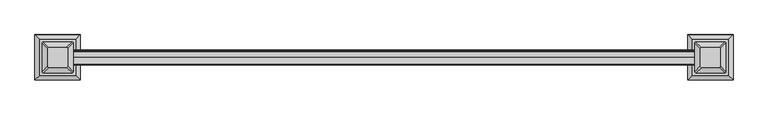
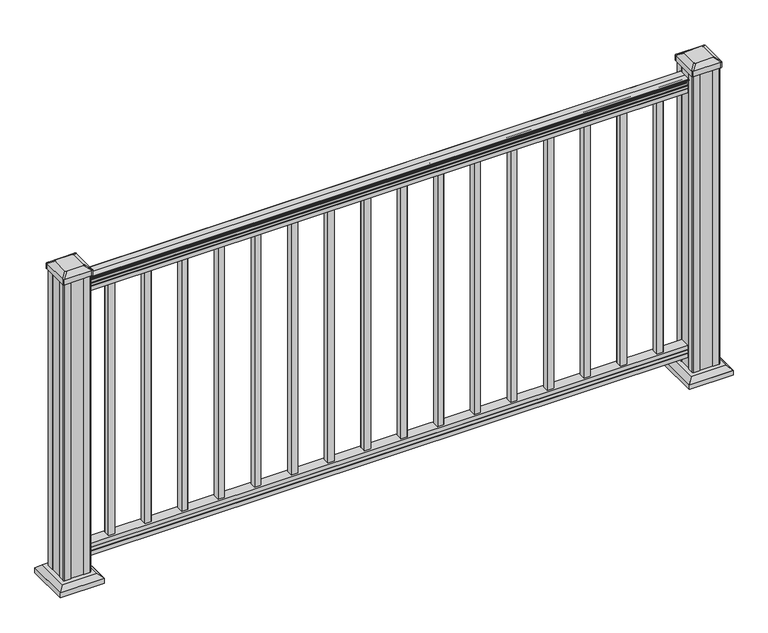
"""IFC4 building model written with IfcOpenShell, lengths in millimetres: railing geometry."""

from ifc_helpers import new_model, si_unit, point, frame, frame_2d, origin, origin_with_axes, place, context, project, spatial, polyline, circle_curve, trimmed, segment, composite_curve, outline, extrude, faceted_brep, source, transform, mapped, element, save
from ifc_brep_helpers import plane_surface, cylinder_surface, revolved_surface, extruded_surface, advanced_brep


def railing_bdc387ba(model_context):
    return source(origin(), model_context, "Body", "SolidModel", [
        advanced_brep(
        [(15483.960144, -6378.5092591, 938.4043297), (15483.960144, -6381.0830879, 938.4043297), (15483.960144, -6381.0830879, 927.747013), (15483.960144, -6380.0670879, 926.731013), (15483.960144, -6380.0670879, 914.4), (15483.960144, -6411.8170879, 914.4), (15483.960144, -6411.8170879, 926.8888283), (15483.960144, -6410.8010879, 927.9048283), (15483.960144, -6410.8010879, 938.4043297), (15483.960144, -6413.3749166, 938.4043297), (15483.960144, -6413.3749166, 940.292412), (15483.960144, -6414.5051029, 941.8546695), (15483.960144, -6414.5051029, 949.0726458), (15483.960144, -6413.8558465, 951.5060812), (15483.960144, -6416.3558465, 955.8362083), (15483.960144, -6417.7651889, 957.5157972), (15483.960144, -6418.1670879, 958.6205318), (15483.960144, -6418.1670879, 959.9608158), (15483.960144, -6416.6136406, 961.514263), (15483.960144, -6395.9420879, 961.514263), (15483.960144, -6375.2705351, 961.514263), (15483.960144, -6373.7170879, 959.9608158), (15483.960144, -6373.7170879, 958.6205318), (15483.960144, -6374.1189868, 957.5157972), (15483.960144, -6375.5283292, 955.8362083), (15483.960144, -6378.0283292, 951.5060812), (15483.960144, -6377.3790728, 949.0726458), (15483.960144, -6377.3790728, 941.8546695), (15483.960144, -6378.5092591, 940.292412), (17312.760144, -6378.5092591, 938.4043297), (17312.760144, -6378.5092591, 940.292412), (17312.760144, -6377.3790728, 941.8546695), (17312.760144, -6377.3790728, 949.0726458), (17312.760144, -6378.0283292, 951.5060812), (17312.760144, -6375.5283292, 955.8362083), (17312.760144, -6374.1189868, 957.5157972), (17312.760144, -6373.7170878, 958.6205318), (17312.760144, -6373.7170879, 959.9608158), (17312.760144, -6375.2705351, 961.514263), (17312.760144, -6395.9420879, 961.514263), (17312.760144, -6416.6136406, 961.514263), (17312.760144, -6418.1670879, 959.9608158), (17312.760144, -6418.1670879, 958.6205318), (17312.760144, -6417.7651889, 957.5157972), (17312.760144, -6416.3558465, 955.8362083), (17312.760144, -6413.8558465, 951.5060812), (17312.760144, -6414.5051029, 949.0726458), (17312.760144, -6414.5051029, 941.8546695), (17312.760144, -6413.3749166, 940.292412), (17312.760144, -6413.3749166, 938.4043297), (17312.760144, -6410.8010879, 938.4043297), (17312.760144, -6410.8010879, 927.9048283), (17312.760144, -6411.8170879, 926.8888283), (17312.760144, -6411.8170879, 914.4), (17312.760144, -6380.0670879, 914.4), (17312.760144, -6380.0670879, 926.731013), (17312.760144, -6381.0830879, 927.747013), (17312.760144, -6381.0830879, 938.4043297)],
        [
            (0, 1, circle_curve(frame((15483.960144, -6379.7961735, 938.4043297), z_axis=(-1.0, 0.0, 0.0), x_axis=(0.0, -1.0, 0.0)), 1.2869144)),
            (1, 2),
            (2, 3),
            (3, 4),
            (4, 5),
            (5, 6),
            (6, 7),
            (7, 8),
            (8, 9, circle_curve(frame((15483.960144, -6412.0880022, 938.4043297), z_axis=(-1.0, 0.0, 0.0), x_axis=(0.0, 1.0, 0.0)), 1.2869144)),
            (9, 10),
            (10, 11, circle_curve(frame((15483.960144, -6407.0601633, 946.0506383), z_axis=(-1.0, 0.0, 0.0), x_axis=(0.0, 1.0, 0.0)), 8.545951)),
            (11, 12, circle_curve(frame((15483.960144, -6407.4972263, 945.4636577), z_axis=(-1.0, 0.0, 0.0), x_axis=(0.0, 1.0, 0.0)), 7.882584)),
            (12, 13, circle_curve(frame((15483.960144, -6418.0105504, 951.3112527), z_axis=(1.0, 0.0, 0.0), x_axis=(0.0, 1.0, 0.0)), 4.1592695)),
            (13, 14, circle_curve(frame((15483.960144, -6419.297857, 951.2508864), z_axis=(1.0, 0.0, 0.0), x_axis=(0.0, 1.0, 0.0)), 5.4479907)),
            (14, 15, circle_curve(frame((15483.960144, -6418.0646985, 955.833395), z_axis=(1.0, 0.0, 0.0), x_axis=(0.0, 1.0, 0.0)), 1.7088543)),
            (15, 16, circle_curve(frame((15483.960144, -6416.4477984, 958.6205318), z_axis=(-1.0, 0.0, 0.0), x_axis=(0.0, 1.0, 0.0)), 1.7192895)),
            (16, 17),
            (17, 18, circle_curve(frame((15483.960144, -6416.6136406, 959.9608158), z_axis=(-1.0, 0.0, 0.0), x_axis=(0.0, 1.0, 0.0)), 1.5534472)),
            (18, 19),
            (19, 20),
            (20, 21, circle_curve(frame((15483.960144, -6375.2705351, 959.9608158), z_axis=(-1.0, 0.0, 0.0), x_axis=(0.0, -1.0, 0.0)), 1.5534472)),
            (21, 22),
            (22, 23, circle_curve(frame((15483.960144, -6375.4363773, 958.6205318), z_axis=(-1.0, 0.0, 0.0), x_axis=(0.0, -1.0, 0.0)), 1.7192895)),
            (23, 24, circle_curve(frame((15483.960144, -6373.8194772, 955.833395), z_axis=(1.0, 0.0, 0.0), x_axis=(0.0, -1.0, 0.0)), 1.7088543)),
            (24, 25, circle_curve(frame((15483.960144, -6372.5863188, 951.2508864), z_axis=(1.0, 0.0, 0.0), x_axis=(0.0, -1.0, 0.0)), 5.4479907)),
            (25, 26, circle_curve(frame((15483.960144, -6373.8736253, 951.3112527), z_axis=(1.0, 0.0, 0.0), x_axis=(0.0, -1.0, 0.0)), 4.1592695)),
            (26, 27, circle_curve(frame((15483.960144, -6384.3869494, 945.4636577), z_axis=(-1.0, 0.0, 0.0), x_axis=(0.0, -1.0, 0.0)), 7.882584)),
            (27, 28, circle_curve(frame((15483.960144, -6384.8240124, 946.0506383), z_axis=(-1.0, 0.0, 0.0), x_axis=(0.0, -1.0, 0.0)), 8.545951)),
            (28, 0),
            (29, 30),
            (30, 31, circle_curve(frame((17312.760144, -6384.8240124, 946.0506383), z_axis=(1.0, 0.0, 0.0), x_axis=(0.0, -1.0, 0.0)), 8.545951)),
            (31, 32, circle_curve(frame((17312.760144, -6384.3869494, 945.4636577), z_axis=(1.0, 0.0, 0.0), x_axis=(0.0, -1.0, 0.0)), 7.882584)),
            (32, 33, circle_curve(frame((17312.760144, -6373.8736253, 951.3112527), z_axis=(-1.0, 0.0, 0.0), x_axis=(0.0, -1.0, 0.0)), 4.1592695)),
            (33, 34, circle_curve(frame((17312.760144, -6372.5863188, 951.2508864), z_axis=(-1.0, 0.0, 0.0), x_axis=(0.0, -1.0, 0.0)), 5.4479907)),
            (34, 35, circle_curve(frame((17312.760144, -6373.8194772, 955.833395), z_axis=(-1.0, 0.0, 0.0), x_axis=(0.0, -1.0, 0.0)), 1.7088543)),
            (35, 36, circle_curve(frame((17312.760144, -6375.4363773, 958.6205318), z_axis=(1.0, 0.0, 0.0), x_axis=(0.0, -1.0, 0.0)), 1.7192895)),
            (36, 37),
            (37, 38, circle_curve(frame((17312.760144, -6375.2705351, 959.9608158), z_axis=(1.0, 0.0, 0.0), x_axis=(0.0, -1.0, 0.0)), 1.5534472)),
            (38, 39),
            (39, 40),
            (40, 41, circle_curve(frame((17312.760144, -6416.6136406, 959.9608158), z_axis=(1.0, 0.0, 0.0), x_axis=(0.0, 1.0, 0.0)), 1.5534472)),
            (41, 42),
            (42, 43, circle_curve(frame((17312.760144, -6416.4477984, 958.6205318), z_axis=(1.0, 0.0, 0.0), x_axis=(0.0, 1.0, 0.0)), 1.7192895)),
            (43, 44, circle_curve(frame((17312.760144, -6418.0646985, 955.833395), z_axis=(-1.0, 0.0, 0.0), x_axis=(0.0, 1.0, 0.0)), 1.7088543)),
            (44, 45, circle_curve(frame((17312.760144, -6419.297857, 951.2508864), z_axis=(-1.0, 0.0, 0.0), x_axis=(0.0, 1.0, 0.0)), 5.4479907)),
            (45, 46, circle_curve(frame((17312.760144, -6418.0105504, 951.3112527), z_axis=(-1.0, 0.0, 0.0), x_axis=(0.0, 1.0, 0.0)), 4.1592695)),
            (46, 47, circle_curve(frame((17312.760144, -6407.4972263, 945.4636577), z_axis=(1.0, 0.0, 0.0), x_axis=(0.0, 1.0, 0.0)), 7.882584)),
            (47, 48, circle_curve(frame((17312.760144, -6407.0601633, 946.0506383), z_axis=(1.0, 0.0, 0.0), x_axis=(0.0, 1.0, 0.0)), 8.545951)),
            (48, 49),
            (49, 50, circle_curve(frame((17312.760144, -6412.0880022, 938.4043297), z_axis=(1.0, 0.0, 0.0), x_axis=(0.0, 1.0, 0.0)), 1.2869144)),
            (50, 51),
            (51, 52),
            (52, 53),
            (53, 54),
            (54, 55),
            (55, 56),
            (56, 57),
            (57, 29, circle_curve(frame((17312.760144, -6379.7961735, 938.4043297), z_axis=(1.0, 0.0, 0.0), x_axis=(0.0, -1.0, 0.0)), 1.2869144)),
            (0, 29),
            (57, 1),
            (56, 2),
            (55, 3),
            (54, 4),
            (53, 5),
            (52, 6),
            (51, 7),
            (50, 8),
            (49, 9),
            (48, 10),
            (47, 11),
            (46, 12),
            (45, 13),
            (44, 14),
            (43, 15),
            (42, 16),
            (41, 17),
            (40, 18),
            (39, 19),
            (38, 20),
            (37, 21),
            (36, 22),
            (35, 23),
            (34, 24),
            (33, 25),
            (32, 26),
            (31, 27),
            (30, 28),
        ],
        [
            plane_surface(frame((15483.960144, -6395.9420879, 914.4), z_axis=(-1.0, 0.0, 0.0), x_axis=(0.0, 1.0, 0.0))),
            plane_surface(frame((17312.760144, -6395.9420879, 914.4), z_axis=(1.0, 0.0, 0.0), x_axis=(0.0, 1.0, 0.0))),
            cylinder_surface(frame((15483.960144, -6379.7961735, 938.4043297), z_axis=(-1.0, 0.0, 0.0), x_axis=(0.0, -1.0, 0.0)), 1.2869144),
            plane_surface(frame((15483.960144, -6381.0830879, 938.4043297), z_axis=(0.0, 1.0, 0.0), x_axis=(1.0, 0.0, 0.0))),
            plane_surface(frame((15483.960144, -6381.0830879, 927.747013), z_axis=(0.0, 0.7071067811865395, 0.7071067811865556), x_axis=(1.0, 0.0, 0.0))),
            plane_surface(frame((15483.960144, -6380.0670879, 926.731013), z_axis=(0.0, 1.0, 0.0), x_axis=(1.0, 0.0, 0.0))),
            plane_surface(frame((15483.960144, -6380.0670879, 914.4), z_axis=(0.0, 0.0, -1.0), x_axis=(1.0, 0.0, 0.0))),
            plane_surface(frame((15483.960144, -6411.8170879, 914.4), z_axis=(0.0, -1.0, 0.0), x_axis=(1.0, 0.0, 0.0))),
            plane_surface(frame((15483.960144, -6411.8170879, 926.8888283), z_axis=(0.0, -0.7071067811865432, 0.707106781186552), x_axis=(1.0, 0.0, 0.0))),
            plane_surface(frame((15483.960144, -6410.8010879, 927.9048283), z_axis=(0.0, -1.0, 0.0), x_axis=(1.0, 0.0, 0.0))),
            cylinder_surface(frame((15483.960144, -6412.0880022, 938.4043297), z_axis=(-1.0, 0.0, 0.0), x_axis=(0.0, 1.0, 0.0)), 1.2869144),
            plane_surface(frame((15483.960144, -6413.3749166, 938.4043297), z_axis=(0.0, -1.0, 0.0), x_axis=(1.0, 0.0, 0.0))),
            cylinder_surface(frame((15483.960144, -6407.0601633, 946.0506383), z_axis=(-1.0, 0.0, 0.0), x_axis=(0.0, 1.0, 0.0)), 8.545951),
            cylinder_surface(frame((15483.960144, -6407.4972263, 945.4636577), z_axis=(-1.0, 0.0, 0.0), x_axis=(0.0, 1.0, 0.0)), 7.882584),
            revolved_surface(polyline([(17312.760144, -6413.8512809, 951.3112527), (15483.960144, -6413.8512809, 951.3112527)]), (15483.960144, -6418.0105504, 951.3112527), (1.0, 0.0, 0.0)),
            revolved_surface(polyline([(17312.760144, -6413.849866299999, 951.2508864), (15483.960144, -6413.849866299999, 951.2508864)]), (15483.960144, -6419.297857, 951.2508864), (1.0, 0.0, 0.0)),
            revolved_surface(polyline([(17312.760144, -6416.3558442, 955.833395), (15483.960144, -6416.3558442, 955.833395)]), (15483.960144, -6418.0646985, 955.833395), (1.0, 0.0, 0.0)),
            cylinder_surface(frame((15483.960144, -6416.4477984, 958.6205318), z_axis=(-1.0, 0.0, 0.0), x_axis=(0.0, 1.0, 0.0)), 1.7192895),
            plane_surface(frame((15483.960144, -6418.1670879, 958.6205318), z_axis=(0.0, -1.0, 0.0), x_axis=(1.0, 0.0, 0.0))),
            cylinder_surface(frame((15483.960144, -6416.6136406, 959.9608158), z_axis=(-1.0, 0.0, 0.0), x_axis=(0.0, 1.0, 0.0)), 1.5534472),
            plane_surface(frame((15483.960144, -6416.6136406, 961.514263), z_axis=(0.0, 0.0, 1.0), x_axis=(1.0, 0.0, 0.0))),
            plane_surface(frame((15483.960144, -6395.9420879, 961.514263), z_axis=(0.0, 0.0, 1.0), x_axis=(1.0, 0.0, 0.0))),
            cylinder_surface(frame((15483.960144, -6375.2705351, 959.9608158), z_axis=(-1.0, 0.0, 0.0), x_axis=(0.0, -1.0, 0.0)), 1.5534472),
            plane_surface(frame((15483.960144, -6373.7170879, 959.9608158), z_axis=(0.0, 1.0, 0.0), x_axis=(1.0, 0.0, 0.0))),
            cylinder_surface(frame((15483.960144, -6375.4363773, 958.6205318), z_axis=(-1.0, 0.0, 0.0), x_axis=(0.0, -1.0, 0.0)), 1.7192895),
            revolved_surface(polyline([(17312.760144, -6375.5283315, 955.833395), (15483.960144, -6375.5283315, 955.833395)]), (15483.960144, -6373.8194772, 955.833395), (1.0, 0.0, 0.0)),
            revolved_surface(polyline([(17312.760144, -6378.034309500001, 951.2508864), (15483.960144, -6378.034309500001, 951.2508864)]), (15483.960144, -6372.5863188, 951.2508864), (1.0, 0.0, 0.0)),
            revolved_surface(polyline([(17312.760144, -6378.0328948, 951.3112527), (15483.960144, -6378.0328948, 951.3112527)]), (15483.960144, -6373.8736253, 951.3112527), (1.0, 0.0, 0.0)),
            cylinder_surface(frame((15483.960144, -6384.3869494, 945.4636577), z_axis=(-1.0, 0.0, 0.0), x_axis=(0.0, -1.0, 0.0)), 7.882584),
            cylinder_surface(frame((15483.960144, -6384.8240124, 946.0506383), z_axis=(-1.0, 0.0, 0.0), x_axis=(0.0, -1.0, 0.0)), 8.545951),
            plane_surface(frame((15483.960144, -6378.5092591, 940.292412), z_axis=(0.0, 1.0, 0.0), x_axis=(1.0, 0.0, 0.0))),
        ],
        [
            (0, [[1, 2, 3, 4, 5, 6, 7, 8, 9, 10, 11, 12, 13, 14, 15, 16, 17, 18, 19, 20, 21, 22, 23, 24, 25, 26, 27, 28, 29]]),
            (1, [[30, 31, 32, 33, 34, 35, 36, 37, 38, 39, 40, 41, 42, 43, 44, 45, 46, 47, 48, 49, 50, 51, 52, 53, 54, 55, 56, 57, 58]]),
            (2, [[-1, 59, -58, 60]]),
            (3, [[-2, -60, -57, 61]]),
            (4, [[-3, -61, -56, 62]]),
            (5, [[-4, -62, -55, 63]]),
            (6, [[-5, -63, -54, 64]]),
            (7, [[-6, -64, -53, 65]]),
            (8, [[-7, -65, -52, 66]]),
            (9, [[-8, -66, -51, 67]]),
            (10, [[-9, -67, -50, 68]]),
            (11, [[-10, -68, -49, 69]]),
            (12, [[-11, -69, -48, 70]]),
            (13, [[-12, -70, -47, 71]]),
            (14, [[-13, -71, -46, 72]]),
            (15, [[-14, -72, -45, 73]]),
            (16, [[-15, -73, -44, 74]]),
            (17, [[-16, -74, -43, 75]]),
            (18, [[-17, -75, -42, 76]]),
            (19, [[-18, -76, -41, 77]]),
            (20, [[-19, -77, -40, 78]]),
            (21, [[-20, -78, -39, 79]]),
            (22, [[-21, -79, -38, 80]]),
            (23, [[-22, -80, -37, 81]]),
            (24, [[-23, -81, -36, 82]]),
            (25, [[-24, -82, -35, 83]]),
            (26, [[-25, -83, -34, 84]]),
            (27, [[-26, -84, -33, 85]]),
            (28, [[-27, -85, -32, 86]]),
            (29, [[-28, -86, -31, 87]]),
            (30, [[-29, -87, -30, -59]]),
        ],
    ),
        faceted_brep([(15483.960144, -6380.029601, 76.0541976), (15483.960144, -6380.029601, 63.5), (15483.960144, -6411.779601, 63.5), (15483.960144, -6411.779601, 76.0375508), (15483.960144, -6410.763601, 77.3858283), (15483.960144, -6410.763601, 87.6975248), (15483.960144, -6411.779601, 89.0458024), (15483.960144, -6411.779601, 101.5958781), (15483.960144, -6380.029601, 101.5958781), (15483.960144, -6380.029601, 89.0624492), (15483.960144, -6381.045601, 87.7141717), (15483.960144, -6381.045601, 77.3546183), (17312.760144, -6380.029601, 76.0541976), (17312.760144, -6381.045601, 77.3546183), (17312.760144, -6381.045601, 87.7141717), (17312.760144, -6380.029601, 89.0624492), (17312.760144, -6380.029601, 101.5958781), (17312.760144, -6411.779601, 101.5958781), (17312.760144, -6411.779601, 89.0458024), (17312.760144, -6410.763601, 87.6975248), (17312.760144, -6410.763601, 77.3858283), (17312.760144, -6411.779601, 76.0375508), (17312.760144, -6411.779601, 63.5), (17312.760144, -6380.029601, 63.5)], [[[0, 1, 2, 3, 4, 5, 6, 7, 8, 9, 10, 11]], [[12, 13, 14, 15, 16, 17, 18, 19, 20, 21, 22, 23]], [[1, 0, 12, 23]], [[2, 1, 23, 22]], [[3, 2, 22, 21]], [[4, 3, 21, 20]], [[5, 4, 20, 19]], [[6, 5, 19, 18]], [[7, 6, 18, 17]], [[8, 7, 17, 16]], [[9, 8, 16, 15]], [[10, 9, 15, 14]], [[11, 10, 14, 13]], [[0, 11, 13, 12]]]),
        extrude(outline(polyline([(17222.272644, -6386.4170879), (17241.322644, -6386.4170879), (17241.322644, -6405.4670879), (17222.272644, -6405.4670879), (17222.272644, -6386.4170879)]), holes=[polyline([(17222.669519, -6386.8139629), (17222.669519, -6405.0702129), (17240.925769, -6405.0702129), (17240.925769, -6386.8139629), (17222.669519, -6386.8139629)])]), frame((0.0, 0.0, 101.5958781), z_axis=(0.0, 0.0, 1.0), x_axis=(1.0, 0.0, 0.0)), (0.0, 0.0, 1.0), 812.8041219),
        extrude(outline(polyline([(17111.147644, -6386.4170879), (17130.197644, -6386.4170879), (17130.197644, -6405.4670879), (17111.147644, -6405.4670879), (17111.147644, -6386.4170879)]), holes=[polyline([(17111.544519, -6386.8139629), (17111.544519, -6405.0702129), (17129.800769, -6405.0702129), (17129.800769, -6386.8139629), (17111.544519, -6386.8139629)])]), frame((0.0, 0.0, 101.5958781), z_axis=(0.0, 0.0, 1.0), x_axis=(1.0, 0.0, 0.0)), (0.0, 0.0, 1.0), 812.8041219),
        extrude(outline(polyline([(17000.022644, -6386.4170879), (17019.072644, -6386.4170879), (17019.072644, -6405.4670879), (17000.022644, -6405.4670879), (17000.022644, -6386.4170879)]), holes=[polyline([(17000.419519, -6386.8139629), (17000.419519, -6405.0702129), (17018.675769, -6405.0702129), (17018.675769, -6386.8139629), (17000.419519, -6386.8139629)])]), frame((0.0, 0.0, 101.5958781), z_axis=(0.0, 0.0, 1.0), x_axis=(1.0, 0.0, 0.0)), (0.0, 0.0, 1.0), 812.8041219),
        extrude(outline(polyline([(16888.897644, -6386.4170879), (16907.947644, -6386.4170879), (16907.947644, -6405.4670879), (16888.897644, -6405.4670879), (16888.897644, -6386.4170879)]), holes=[polyline([(16889.294519, -6386.8139629), (16889.294519, -6405.0702129), (16907.550769, -6405.0702129), (16907.550769, -6386.8139629), (16889.294519, -6386.8139629)])]), frame((0.0, 0.0, 101.5958781), z_axis=(0.0, 0.0, 1.0), x_axis=(1.0, 0.0, 0.0)), (0.0, 0.0, 1.0), 812.8041219),
        extrude(outline(polyline([(16777.772644, -6386.4170879), (16796.822644, -6386.4170879), (16796.822644, -6405.4670879), (16777.772644, -6405.4670879), (16777.772644, -6386.4170879)]), holes=[polyline([(16778.169519, -6386.8139629), (16778.169519, -6405.0702129), (16796.425769, -6405.0702129), (16796.425769, -6386.8139629), (16778.169519, -6386.8139629)])]), frame((0.0, 0.0, 101.5958781), z_axis=(0.0, 0.0, 1.0), x_axis=(1.0, 0.0, 0.0)), (0.0, 0.0, 1.0), 812.8041219),
        extrude(outline(polyline([(16666.647644, -6386.4170879), (16685.697644, -6386.4170879), (16685.697644, -6405.4670879), (16666.647644, -6405.4670879), (16666.647644, -6386.4170879)]), holes=[polyline([(16667.044519, -6386.8139629), (16667.044519, -6405.0702129), (16685.300769, -6405.0702129), (16685.300769, -6386.8139629), (16667.044519, -6386.8139629)])]), frame((0.0, 0.0, 101.5958781), z_axis=(0.0, 0.0, 1.0), x_axis=(1.0, 0.0, 0.0)), (0.0, 0.0, 1.0), 812.8041219),
        extrude(outline(polyline([(16555.522644, -6386.4170879), (16574.572644, -6386.4170879), (16574.572644, -6405.4670879), (16555.522644, -6405.4670879), (16555.522644, -6386.4170879)]), holes=[polyline([(16555.919519, -6386.8139629), (16555.919519, -6405.0702129), (16574.175769, -6405.0702129), (16574.175769, -6386.8139629), (16555.919519, -6386.8139629)])]), frame((0.0, 0.0, 101.5958781), z_axis=(0.0, 0.0, 1.0), x_axis=(1.0, 0.0, 0.0)), (0.0, 0.0, 1.0), 812.8041219),
        extrude(outline(polyline([(16444.397644, -6386.4170879), (16463.447644, -6386.4170879), (16463.447644, -6405.4670879), (16444.397644, -6405.4670879), (16444.397644, -6386.4170879)]), holes=[polyline([(16444.794519, -6386.8139629), (16444.794519, -6405.0702129), (16463.050769, -6405.0702129), (16463.050769, -6386.8139629), (16444.794519, -6386.8139629)])]), frame((0.0, 0.0, 101.5958781), z_axis=(0.0, 0.0, 1.0), x_axis=(1.0, 0.0, 0.0)), (0.0, 0.0, 1.0), 812.8041219),
        extrude(outline(polyline([(16333.272644, -6386.4170879), (16352.322644, -6386.4170879), (16352.322644, -6405.4670879), (16333.272644, -6405.4670879), (16333.272644, -6386.4170879)]), holes=[polyline([(16333.669519, -6386.8139629), (16333.669519, -6405.0702129), (16351.925769, -6405.0702129), (16351.925769, -6386.8139629), (16333.669519, -6386.8139629)])]), frame((0.0, 0.0, 101.5958781), z_axis=(0.0, 0.0, 1.0), x_axis=(1.0, 0.0, 0.0)), (0.0, 0.0, 1.0), 812.8041219),
        extrude(outline(polyline([(16222.147644, -6386.4170879), (16241.197644, -6386.4170879), (16241.197644, -6405.4670879), (16222.147644, -6405.4670879), (16222.147644, -6386.4170879)]), holes=[polyline([(16222.544519, -6386.8139629), (16222.544519, -6405.0702129), (16240.800769, -6405.0702129), (16240.800769, -6386.8139629), (16222.544519, -6386.8139629)])]), frame((0.0, 0.0, 101.5958781), z_axis=(0.0, 0.0, 1.0), x_axis=(1.0, 0.0, 0.0)), (0.0, 0.0, 1.0), 812.8041219),
        extrude(outline(polyline([(16111.022644, -6386.4170879), (16130.072644, -6386.4170879), (16130.072644, -6405.4670879), (16111.022644, -6405.4670879), (16111.022644, -6386.4170879)]), holes=[polyline([(16111.419519, -6386.8139629), (16111.419519, -6405.0702129), (16129.675769, -6405.0702129), (16129.675769, -6386.8139629), (16111.419519, -6386.8139629)])]), frame((0.0, 0.0, 101.5958781), z_axis=(0.0, 0.0, 1.0), x_axis=(1.0, 0.0, 0.0)), (0.0, 0.0, 1.0), 812.8041219),
        extrude(outline(polyline([(15999.897644, -6386.4170879), (16018.947644, -6386.4170879), (16018.947644, -6405.4670879), (15999.897644, -6405.4670879), (15999.897644, -6386.4170879)]), holes=[polyline([(16000.294519, -6386.8139629), (16000.294519, -6405.0702129), (16018.550769, -6405.0702129), (16018.550769, -6386.8139629), (16000.294519, -6386.8139629)])]), frame((0.0, 0.0, 101.5958781), z_axis=(0.0, 0.0, 1.0), x_axis=(1.0, 0.0, 0.0)), (0.0, 0.0, 1.0), 812.8041219),
        extrude(outline(polyline([(15888.772644, -6386.4170879), (15907.822644, -6386.4170879), (15907.822644, -6405.4670879), (15888.772644, -6405.4670879), (15888.772644, -6386.4170879)]), holes=[polyline([(15889.169519, -6386.8139629), (15889.169519, -6405.0702129), (15907.425769, -6405.0702129), (15907.425769, -6386.8139629), (15889.169519, -6386.8139629)])]), frame((0.0, 0.0, 101.5958781), z_axis=(0.0, 0.0, 1.0), x_axis=(1.0, 0.0, 0.0)), (0.0, 0.0, 1.0), 812.8041219),
        extrude(outline(polyline([(15777.647644, -6386.4170879), (15796.697644, -6386.4170879), (15796.697644, -6405.4670879), (15777.647644, -6405.4670879), (15777.647644, -6386.4170879)]), holes=[polyline([(15778.044519, -6386.8139629), (15778.044519, -6405.0702129), (15796.300769, -6405.0702129), (15796.300769, -6386.8139629), (15778.044519, -6386.8139629)])]), frame((0.0, 0.0, 101.5958781), z_axis=(0.0, 0.0, 1.0), x_axis=(1.0, 0.0, 0.0)), (0.0, 0.0, 1.0), 812.8041219),
        extrude(outline(polyline([(15666.522644, -6386.4170879), (15685.572644, -6386.4170879), (15685.572644, -6405.4670879), (15666.522644, -6405.4670879), (15666.522644, -6386.4170879)]), holes=[polyline([(15666.919519, -6386.8139629), (15666.919519, -6405.0702129), (15685.175769, -6405.0702129), (15685.175769, -6386.8139629), (15666.919519, -6386.8139629)])]), frame((0.0, 0.0, 101.5958781), z_axis=(0.0, 0.0, 1.0), x_axis=(1.0, 0.0, 0.0)), (0.0, 0.0, 1.0), 812.8041219),
        extrude(outline(polyline([(15555.397644, -6386.4170879), (15574.447644, -6386.4170879), (15574.447644, -6405.4670879), (15555.397644, -6405.4670879), (15555.397644, -6386.4170879)]), holes=[polyline([(15555.794519, -6386.8139629), (15555.794519, -6405.0702129), (15574.050769, -6405.0702129), (15574.050769, -6386.8139629), (15555.794519, -6386.8139629)])]), frame((0.0, 0.0, 101.5958781), z_axis=(0.0, 0.0, 1.0), x_axis=(1.0, 0.0, 0.0)), (0.0, 0.0, 1.0), 812.8041219),
        faceted_brep([(17301.4492065, -6343.3561504, 28.575), (17301.4492065, -6448.5280254, 28.575), (17406.6210815, -6448.5280254, 28.575), (17406.6210815, -6343.3561504, 28.575), (17287.4097534, -6329.3166972, 15.24), (17420.6605346, -6329.3166972, 15.24), (17420.6605346, -6462.5674785, 15.24), (17287.4097534, -6462.5674785, 15.24)], [[[0, 1, 2, 3]], [[4, 5, 6, 7]], [[4, 7, 1, 0]], [[7, 6, 2, 1]], [[6, 5, 3, 2]], [[5, 4, 0, 3]]]),
        extrude(outline(polyline([(17287.4097534, -6329.3166972), (17420.6605346, -6329.3166972), (17420.6605346, -6462.5674785), (17287.4097534, -6462.5674785), (17287.4097534, -6329.3166972)])), origin_with_axes(), (0.0, 0.0, 1.0), 15.24),
        advanced_brep(
        [(17325.063269, -6421.7389629, 1012.825), (17328.238269, -6424.9139629, 1012.825), (17379.832019, -6424.9139629, 1012.825), (17383.007019, -6421.7389629, 1012.825), (17383.007019, -6370.1452129, 1012.825), (17379.832019, -6366.9702129, 1012.825), (17328.238269, -6366.9702129, 1012.825), (17325.063269, -6370.1452129, 1012.825), (17308.791394, -6438.0108379, 1001.522), (17308.791394, -6353.8733379, 1001.522), (17311.966394, -6350.6983379, 1001.522), (17396.103894, -6350.6983379, 1001.522), (17399.278894, -6353.8733379, 1001.522), (17399.278894, -6438.0108379, 1001.522), (17396.103894, -6441.1858379, 1001.522), (17311.966394, -6441.1858379, 1001.522)],
        [
            (0, 1, circle_curve(frame((17328.238269, -6421.7389629, 1012.825), z_axis=(0.0, 0.0, 1.0), x_axis=(1.0, 0.0, 0.0)), 3.175)),
            (1, 2),
            (2, 3, circle_curve(frame((17379.832019, -6421.7389629, 1012.825), z_axis=(0.0, 0.0, 1.0), x_axis=(1.0, 0.0, 0.0)), 3.175)),
            (3, 4),
            (4, 5, circle_curve(frame((17379.832019, -6370.1452129, 1012.825), z_axis=(0.0, 0.0, 1.0), x_axis=(1.0, 0.0, 0.0)), 3.175)),
            (5, 6),
            (6, 7, circle_curve(frame((17328.238269, -6370.1452129, 1012.825), z_axis=(0.0, 0.0, 1.0), x_axis=(1.0, 0.0, 0.0)), 3.175)),
            (7, 0),
            (8, 9),
            (9, 10, circle_curve(frame((17311.966394, -6353.8733379, 1001.522), z_axis=(0.0, 0.0, -1.0), x_axis=(1.0, 0.0, 0.0)), 3.175)),
            (10, 11),
            (11, 12, circle_curve(frame((17396.103894, -6353.8733379, 1001.522), z_axis=(0.0, 0.0, -1.0), x_axis=(1.0, 0.0, 0.0)), 3.175)),
            (12, 13),
            (13, 14, circle_curve(frame((17396.103894, -6438.0108379, 1001.522), z_axis=(0.0, 0.0, -1.0), x_axis=(1.0, 0.0, 0.0)), 3.175)),
            (14, 15),
            (15, 8, circle_curve(frame((17311.966394, -6438.0108379, 1001.522), z_axis=(0.0, 0.0, -1.0), x_axis=(1.0, 0.0, 0.0)), 3.175)),
            (15, 1),
            (0, 8),
            (14, 2),
            (13, 3),
            (12, 4),
            (11, 5),
            (10, 6),
            (9, 7),
        ],
        [
            plane_surface(frame((17354.035144, -6395.9420879, 1012.825), z_axis=(0.0, 0.0, 1.0), x_axis=(0.0, -1.0, 0.0))),
            plane_surface(frame((17354.035144, -6395.9420879, 1001.522), z_axis=(0.0, 0.0, -1.0), x_axis=(0.0, -1.0, 0.0))),
            extruded_surface(trimmed(circle_curve(frame((17311.966394, -6438.0108379, 1001.522), z_axis=(0.0, 0.0, 1.0), x_axis=(1.0, 0.0, 0.0)), 3.175), [point((17308.791394, -6438.0108379, 1001.522))], [point((17311.966394, -6441.1858379, 1001.522))], True, "CARTESIAN"), (16.271875000002183, 16.271875000000364, 11.302999999999997), 25.63797263886778),
            plane_surface(frame((17354.035144, -6441.1858379, 1001.522), z_axis=(0.0, -0.5705009161540779, 0.8212969649690408), x_axis=(1.0, 0.0, 0.0))),
            extruded_surface(trimmed(circle_curve(frame((17396.103894, -6438.0108379, 1001.522), z_axis=(0.0, 0.0, 1.0), x_axis=(1.0, 0.0, 0.0)), 3.175), [point((17396.103894, -6441.1858379, 1001.522))], [point((17399.278894, -6438.0108379, 1001.522))], True, "CARTESIAN"), (-16.271874999998545, 16.271875000000364, 11.302999999999997), 25.637972638865467),
            plane_surface(frame((17399.278894, -6395.9420879, 1001.522), z_axis=(0.5705009161540291, 0.0, 0.8212969649690747), x_axis=(0.0, 1.0, 0.0))),
            extruded_surface(trimmed(circle_curve(frame((17396.103894, -6353.8733379, 1001.522), z_axis=(0.0, 0.0, 1.0), x_axis=(1.0, 0.0, 0.0)), 3.175), [point((17399.278894, -6353.8733379, 1001.522))], [point((17396.103894, -6350.6983379, 1001.522))], True, "CARTESIAN"), (-16.271874999998545, -16.271875000000364, 11.302999999999997), 25.637972638865467),
            plane_surface(frame((17354.035144, -6350.6983379, 1001.522), z_axis=(0.0, 0.5705009161540141, 0.8212969649690851), x_axis=(-1.0, 0.0, 0.0))),
            extruded_surface(trimmed(circle_curve(frame((17311.966394, -6353.8733379, 1001.522), z_axis=(0.0, 0.0, 1.0), x_axis=(1.0, 0.0, 0.0)), 3.175), [point((17311.966394, -6350.6983379, 1001.522))], [point((17308.791394, -6353.8733379, 1001.522))], True, "CARTESIAN"), (16.271875000002183, -16.271875000000364, 11.302999999999997), 25.63797263886778),
            plane_surface(frame((17308.791394, -6395.9420879, 1001.522), z_axis=(-0.570500916154034, 0.0, 0.8212969649690713), x_axis=(0.0, -1.0, 0.0))),
        ],
        [
            (0, [[1, 2, 3, 4, 5, 6, 7, 8]]),
            (1, [[9, 10, 11, 12, 13, 14, 15, 16]]),
            (2, [[-16, 17, -1, 18]]),
            (3, [[-15, 19, -2, -17]]),
            (4, [[-14, 20, -3, -19]]),
            (5, [[-13, 21, -4, -20]]),
            (6, [[-12, 22, -5, -21]]),
            (7, [[-11, 23, -6, -22]]),
            (8, [[-10, 24, -7, -23]]),
            (9, [[-9, -18, -8, -24]]),
        ],
    ),
        extrude(outline(composite_curve([segment(polyline([(17308.791394, -6438.0108379), (17308.791394, -6353.8733379)]), True, "CONTINUOUS"), segment(trimmed(circle_curve(frame_2d((17311.966394, -6353.8733379)), 3.175), [point((17308.791394, -6353.8733379))], [point((17311.966394, -6350.6983379))], False, "CARTESIAN"), True, "CONTINUOUS"), segment(polyline([(17311.966394, -6350.6983379), (17396.103894, -6350.6983379)]), True, "CONTINUOUS"), segment(trimmed(circle_curve(frame_2d((17396.103894, -6353.8733379)), 3.175), [point((17396.103894, -6350.6983379))], [point((17399.278894, -6353.8733379))], False, "CARTESIAN"), True, "CONTINUOUS"), segment(polyline([(17399.278894, -6353.8733379), (17399.278894, -6438.0108379)]), True, "CONTINUOUS"), segment(trimmed(circle_curve(frame_2d((17396.103894, -6438.0108379)), 3.175), [point((17399.278894, -6438.0108379))], [point((17396.103894, -6441.1858379))], False, "CARTESIAN"), True, "CONTINUOUS"), segment(polyline([(17396.103894, -6441.1858379), (17311.966394, -6441.1858379)]), True, "CONTINUOUS"), segment(trimmed(circle_curve(frame_2d((17311.966394, -6438.0108379)), 3.175), [point((17311.966394, -6441.1858379))], [point((17308.791394, -6438.0108379))], False, "CARTESIAN"), True, "CONTINUOUS")], self_intersect=False)), frame((0.0, 0.0, 984.25), z_axis=(0.0, 0.0, 1.0), x_axis=(1.0, 0.0, 0.0)), (0.0, 0.0, 1.0), 17.272),
        extrude(outline(polyline([(17312.760144, -6435.6295879), (17312.760144, -6416.0080879), (17314.347644, -6415.2460879), (17314.347644, -6376.6380879), (17312.760144, -6375.8760879), (17312.760144, -6356.2545879), (17314.347644, -6354.6670879), (17333.969144, -6354.6670879), (17334.731144, -6356.2545879), (17373.339144, -6356.2545879), (17374.101144, -6354.6670879), (17393.722644, -6354.6670879), (17395.310144, -6356.2545879), (17395.310144, -6375.8760879), (17393.722644, -6376.6380879), (17393.722644, -6415.2460879), (17395.310144, -6416.0080879), (17395.310144, -6435.6295879), (17393.722644, -6437.2170879), (17374.101144, -6437.2170879), (17373.339144, -6435.6295879), (17334.731144, -6435.6295879), (17333.969144, -6437.2170879), (17314.347644, -6437.2170879), (17312.760144, -6435.6295879)])), origin_with_axes(), (0.0, 0.0, 1.0), 984.25),
        faceted_brep([(15390.0992065, -6343.3561504, 28.575), (15390.0992065, -6448.5280254, 28.575), (15495.2710815, -6448.5280254, 28.575), (15495.2710815, -6343.3561504, 28.575), (15376.0597534, -6329.3166972, 15.24), (15509.3105346, -6329.3166972, 15.24), (15509.3105346, -6462.5674785, 15.24), (15376.0597534, -6462.5674785, 15.24)], [[[0, 1, 2, 3]], [[4, 5, 6, 7]], [[4, 7, 1, 0]], [[7, 6, 2, 1]], [[6, 5, 3, 2]], [[5, 4, 0, 3]]]),
        extrude(outline(polyline([(15376.0597534, -6329.3166972), (15509.3105346, -6329.3166972), (15509.3105346, -6462.5674785), (15376.0597534, -6462.5674785), (15376.0597534, -6329.3166972)])), origin_with_axes(), (0.0, 0.0, 1.0), 15.24),
        advanced_brep(
        [(15413.713269, -6421.7389629, 1012.825), (15416.888269, -6424.9139629, 1012.825), (15468.482019, -6424.9139629, 1012.825), (15471.657019, -6421.7389629, 1012.825), (15471.657019, -6370.1452129, 1012.825), (15468.482019, -6366.9702129, 1012.825), (15416.888269, -6366.9702129, 1012.825), (15413.713269, -6370.1452129, 1012.825), (15397.441394, -6438.0108379, 1001.522), (15397.441394, -6353.8733379, 1001.522), (15400.616394, -6350.6983379, 1001.522), (15484.753894, -6350.6983379, 1001.522), (15487.928894, -6353.8733379, 1001.522), (15487.928894, -6438.0108379, 1001.522), (15484.753894, -6441.1858379, 1001.522), (15400.616394, -6441.1858379, 1001.522)],
        [
            (0, 1, circle_curve(frame((15416.888269, -6421.7389629, 1012.825), z_axis=(0.0, 0.0, 1.0), x_axis=(1.0, 0.0, 0.0)), 3.175)),
            (1, 2),
            (2, 3, circle_curve(frame((15468.482019, -6421.7389629, 1012.825), z_axis=(0.0, 0.0, 1.0), x_axis=(1.0, 0.0, 0.0)), 3.175)),
            (3, 4),
            (4, 5, circle_curve(frame((15468.482019, -6370.1452129, 1012.825), z_axis=(0.0, 0.0, 1.0), x_axis=(1.0, 0.0, 0.0)), 3.175)),
            (5, 6),
            (6, 7, circle_curve(frame((15416.888269, -6370.1452129, 1012.825), z_axis=(0.0, 0.0, 1.0), x_axis=(1.0, 0.0, 0.0)), 3.175)),
            (7, 0),
            (8, 9),
            (9, 10, circle_curve(frame((15400.616394, -6353.8733379, 1001.522), z_axis=(0.0, 0.0, -1.0), x_axis=(1.0, 0.0, 0.0)), 3.175)),
            (10, 11),
            (11, 12, circle_curve(frame((15484.753894, -6353.8733379, 1001.522), z_axis=(0.0, 0.0, -1.0), x_axis=(1.0, 0.0, 0.0)), 3.175)),
            (12, 13),
            (13, 14, circle_curve(frame((15484.753894, -6438.0108379, 1001.522), z_axis=(0.0, 0.0, -1.0), x_axis=(1.0, 0.0, 0.0)), 3.175)),
            (14, 15),
            (15, 8, circle_curve(frame((15400.616394, -6438.0108379, 1001.522), z_axis=(0.0, 0.0, -1.0), x_axis=(1.0, 0.0, 0.0)), 3.175)),
            (15, 1),
            (0, 8),
            (14, 2),
            (13, 3),
            (12, 4),
            (11, 5),
            (10, 6),
            (9, 7),
        ],
        [
            plane_surface(frame((15442.685144, -6395.9420879, 1012.825), z_axis=(0.0, 0.0, 1.0), x_axis=(0.0, -1.0, 0.0))),
            plane_surface(frame((15442.685144, -6395.9420879, 1001.522), z_axis=(0.0, 0.0, -1.0), x_axis=(0.0, -1.0, 0.0))),
            extruded_surface(trimmed(circle_curve(frame((15400.616394, -6438.0108379, 1001.522), z_axis=(0.0, 0.0, 1.0), x_axis=(1.0, 0.0, 0.0)), 3.175), [point((15397.441394, -6438.0108379, 1001.522))], [point((15400.616394, -6441.1858379, 1001.522))], True, "CARTESIAN"), (16.271874999998545, 16.271875000000364, 11.302999999999997), 25.637972638865467),
            plane_surface(frame((15442.685144, -6441.1858379, 1001.522), z_axis=(0.0, -0.5705009161540779, 0.8212969649690408), x_axis=(1.0, 0.0, 0.0))),
            extruded_surface(trimmed(circle_curve(frame((15484.753894, -6438.0108379, 1001.522), z_axis=(0.0, 0.0, 1.0), x_axis=(1.0, 0.0, 0.0)), 3.175), [point((15484.753894, -6441.1858379, 1001.522))], [point((15487.928894, -6438.0108379, 1001.522))], True, "CARTESIAN"), (-16.271875000000364, 16.271875000000364, 11.302999999999997), 25.63797263886662),
            plane_surface(frame((15487.928894, -6395.9420879, 1001.522), z_axis=(0.5705009161540291, 0.0, 0.8212969649690747), x_axis=(0.0, 1.0, 0.0))),
            extruded_surface(trimmed(circle_curve(frame((15484.753894, -6353.8733379, 1001.522), z_axis=(0.0, 0.0, 1.0), x_axis=(1.0, 0.0, 0.0)), 3.175), [point((15487.928894, -6353.8733379, 1001.522))], [point((15484.753894, -6350.6983379, 1001.522))], True, "CARTESIAN"), (-16.271875000000364, -16.271875000000364, 11.302999999999997), 25.63797263886662),
            plane_surface(frame((15442.685144, -6350.6983379, 1001.522), z_axis=(0.0, 0.5705009161540141, 0.8212969649690851), x_axis=(-1.0, 0.0, 0.0))),
            extruded_surface(trimmed(circle_curve(frame((15400.616394, -6353.8733379, 1001.522), z_axis=(0.0, 0.0, 1.0), x_axis=(1.0, 0.0, 0.0)), 3.175), [point((15400.616394, -6350.6983379, 1001.522))], [point((15397.441394, -6353.8733379, 1001.522))], True, "CARTESIAN"), (16.271874999998545, -16.271875000000364, 11.302999999999997), 25.637972638865467),
            plane_surface(frame((15397.441394, -6395.9420879, 1001.522), z_axis=(-0.570500916154034, 0.0, 0.8212969649690713), x_axis=(0.0, -1.0, 0.0))),
        ],
        [
            (0, [[1, 2, 3, 4, 5, 6, 7, 8]]),
            (1, [[9, 10, 11, 12, 13, 14, 15, 16]]),
            (2, [[-16, 17, -1, 18]]),
            (3, [[-15, 19, -2, -17]]),
            (4, [[-14, 20, -3, -19]]),
            (5, [[-13, 21, -4, -20]]),
            (6, [[-12, 22, -5, -21]]),
            (7, [[-11, 23, -6, -22]]),
            (8, [[-10, 24, -7, -23]]),
            (9, [[-9, -18, -8, -24]]),
        ],
    ),
        extrude(outline(composite_curve([segment(polyline([(15397.441394, -6438.0108379), (15397.441394, -6353.8733379)]), True, "CONTINUOUS"), segment(trimmed(circle_curve(frame_2d((15400.616394, -6353.8733379)), 3.175), [point((15397.441394, -6353.8733379))], [point((15400.616394, -6350.6983379))], False, "CARTESIAN"), True, "CONTINUOUS"), segment(polyline([(15400.616394, -6350.6983379), (15484.753894, -6350.6983379)]), True, "CONTINUOUS"), segment(trimmed(circle_curve(frame_2d((15484.753894, -6353.8733379)), 3.175), [point((15484.753894, -6350.6983379))], [point((15487.928894, -6353.8733379))], False, "CARTESIAN"), True, "CONTINUOUS"), segment(polyline([(15487.928894, -6353.8733379), (15487.928894, -6438.0108379)]), True, "CONTINUOUS"), segment(trimmed(circle_curve(frame_2d((15484.753894, -6438.0108379)), 3.175), [point((15487.928894, -6438.0108379))], [point((15484.753894, -6441.1858379))], False, "CARTESIAN"), True, "CONTINUOUS"), segment(polyline([(15484.753894, -6441.1858379), (15400.616394, -6441.1858379)]), True, "CONTINUOUS"), segment(trimmed(circle_curve(frame_2d((15400.616394, -6438.0108379)), 3.175), [point((15400.616394, -6441.1858379))], [point((15397.441394, -6438.0108379))], False, "CARTESIAN"), True, "CONTINUOUS")], self_intersect=False)), frame((0.0, 0.0, 984.25), z_axis=(0.0, 0.0, 1.0), x_axis=(1.0, 0.0, 0.0)), (0.0, 0.0, 1.0), 17.272),
        extrude(outline(polyline([(15401.410144, -6435.6295879), (15401.410144, -6416.0080879), (15402.997644, -6415.2460879), (15402.997644, -6376.6380879), (15401.410144, -6375.8760879), (15401.410144, -6356.2545879), (15402.997644, -6354.6670879), (15422.619144, -6354.6670879), (15423.381144, -6356.2545879), (15461.989144, -6356.2545879), (15462.751144, -6354.6670879), (15482.372644, -6354.6670879), (15483.960144, -6356.2545879), (15483.960144, -6375.8760879), (15482.372644, -6376.6380879), (15482.372644, -6415.2460879), (15483.960144, -6416.0080879), (15483.960144, -6435.6295879), (15482.372644, -6437.2170879), (15462.751144, -6437.2170879), (15461.989144, -6435.6295879), (15423.381144, -6435.6295879), (15422.619144, -6437.2170879), (15402.997644, -6437.2170879), (15401.410144, -6435.6295879)])), origin_with_axes(), (0.0, 0.0, 1.0), 984.25),
    ])


if __name__ == "__main__":
    model = new_model("IFC4")
    model_context = context("Model", 3, world=origin())
    ifc_project = project(units=[si_unit("LENGTHUNIT", "METRE", prefix="MILLI")], contexts=[model_context])
    site = spatial("IfcSite", under=ifc_project)
    building = spatial("IfcBuilding", under=site)
    placement = place(None, origin())
    railing_shape = railing_bdc387ba(model_context)
    element("IfcRailing", 1, at=placement, inside=building, context=model_context, shape_type="MappedRepresentation", body=[
        mapped(railing_shape, transform((0.0, 0.0, 0.0), x_axis=(1.0, 0.0, 0.0), y_axis=(0.0, 1.0, 0.0), z_axis=(0.0, 0.0, 1.0))),
    ])
    save(model, "model.ifc")
